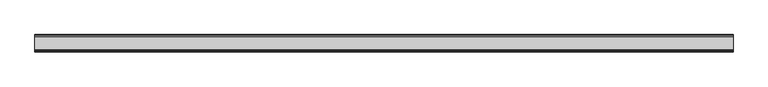
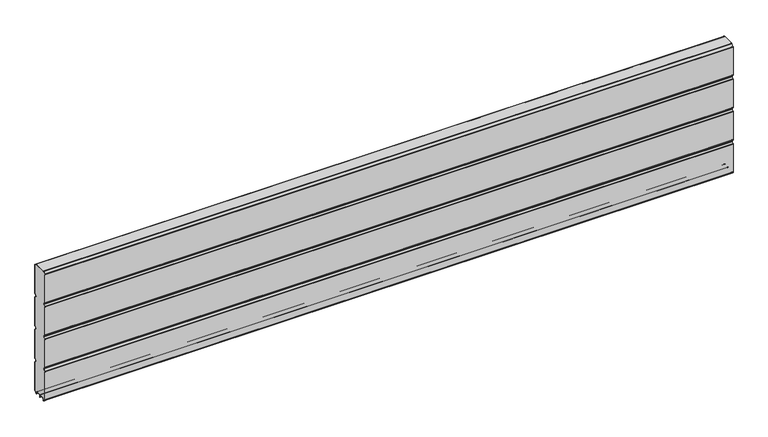
"""IFC4 building model written with IfcOpenShell, lengths in millimetres: plate geometry."""

from ifc_helpers import new_model, si_unit, point, frame, frame_2d, origin, place, context, project, spatial, polyline, circle_curve, trimmed, segment, composite_curve, outline, extrude, source, transform, mapped, element, save


def plate_765de1df(model_context):
    return source(origin(), model_context, "Body", "SweptSolid", [
        extrude(outline(composite_curve([segment(polyline([(-29.2650466, 451.7624879), (-35.7138292, 458.2112702)]), True, "CONTINUOUS"), segment(trimmed(circle_curve(frame_2d((-34.2991913, 459.6259081)), 2.0006001), [point((-35.7138292, 458.2112702))], [point((-36.2997914, 459.6259081))], False, "CARTESIAN"), True, "CONTINUOUS"), segment(polyline([(-36.2997914, 459.6259081), (-36.2997914, 588.874925)]), True, "CONTINUOUS"), segment(trimmed(circle_curve(frame_2d((-34.3025404, 588.8763112)), 1.9972515), [point((-36.2997914, 588.874925))], [point((-35.7145328, 590.2888589))], False, "CARTESIAN"), True, "CONTINUOUS"), segment(polyline([(-35.7145328, 590.2888589), (-27.7860861, 598.2141893)]), True, "CONTINUOUS"), segment(trimmed(circle_curve(frame_2d((-26.3717262, 596.7992733)), 2.0006002), [point((-27.7860861, 598.2141893))], [point((-26.3717262, 598.7998734))], False, "CARTESIAN"), True, "CONTINUOUS"), segment(polyline([(-26.3717262, 598.7998734), (26.3717262, 598.7998734)]), True, "CONTINUOUS"), segment(trimmed(circle_curve(frame_2d((26.3717262, 596.7992733)), 2.0006002), [point((26.3717262, 598.7998734))], [point((27.7860861, 598.2141893))], False, "CARTESIAN"), True, "CONTINUOUS"), segment(polyline([(27.7860861, 598.2141893), (35.7145328, 590.2888589)]), True, "CONTINUOUS"), segment(trimmed(circle_curve(frame_2d((34.3025404, 588.8763112)), 1.9972515), [point((35.7145328, 590.2888589))], [point((36.2997914, 588.874925))], False, "CARTESIAN"), True, "CONTINUOUS"), segment(polyline([(36.2997914, 588.874925), (36.2997914, 459.6259081)]), True, "CONTINUOUS"), segment(trimmed(circle_curve(frame_2d((34.2991913, 459.6259081)), 2.0006001), [point((36.2997914, 459.6259081))], [point((35.7138292, 458.2112702))], False, "CARTESIAN"), True, "CONTINUOUS"), segment(polyline([(35.7138292, 458.2112702), (29.2650466, 451.7624879)]), True, "CONTINUOUS"), segment(trimmed(circle_curve(frame_2d((31.5325895, 449.4949449)), 3.20679), [point((29.2650466, 451.7624879))], [point((29.114664, 447.3884934))], True, "CARTESIAN"), True, "CONTINUOUS"), segment(polyline([(29.114664, 447.3884934), (35.7138291, 440.7893285)]), True, "CONTINUOUS"), segment(trimmed(circle_curve(frame_2d((34.2991912, 439.3746906)), 2.0006001), [point((35.7138291, 440.7893285))], [point((36.2997913, 439.3746906))], False, "CARTESIAN"), True, "CONTINUOUS"), segment(polyline([(36.2997913, 439.3746906), (36.2997913, 309.6259081)]), True, "CONTINUOUS"), segment(trimmed(circle_curve(frame_2d((34.2991912, 309.6259081)), 2.0006001), [point((36.2997913, 309.6259081))], [point((35.7138291, 308.2112702))], False, "CARTESIAN"), True, "CONTINUOUS"), segment(polyline([(35.7138291, 308.2112702), (29.2650466, 301.7624879)]), True, "CONTINUOUS"), segment(trimmed(circle_curve(frame_2d((31.5325895, 299.4949449)), 3.20679), [point((29.2650466, 301.7624879))], [point((29.4261379, 297.0770195))], True, "CARTESIAN"), True, "CONTINUOUS"), segment(polyline([(29.4261379, 297.0770195), (35.7138291, 290.7893285)]), True, "CONTINUOUS"), segment(trimmed(circle_curve(frame_2d((34.2991912, 289.3746906)), 2.0006001), [point((35.7138291, 290.7893285))], [point((36.2997913, 289.3746906))], False, "CARTESIAN"), True, "CONTINUOUS"), segment(polyline([(36.2997913, 289.3746906), (36.2997913, 159.6246474)]), True, "CONTINUOUS"), segment(trimmed(circle_curve(frame_2d((34.2991912, 159.6246474)), 2.0006001), [point((36.2997913, 159.6246474))], [point((35.7138291, 158.2100095))], False, "CARTESIAN"), True, "CONTINUOUS"), segment(polyline([(35.7138291, 158.2100095), (29.2650466, 151.7612271)]), True, "CONTINUOUS"), segment(trimmed(circle_curve(frame_2d((31.5325895, 149.4936842)), 3.20679), [point((29.2650466, 151.7612271))], [point((29.114664, 147.3872326))], True, "CARTESIAN"), True, "CONTINUOUS"), segment(polyline([(29.114664, 147.3872326), (35.7138292, 140.7880678)]), True, "CONTINUOUS"), segment(trimmed(circle_curve(frame_2d((34.2991912, 139.3734299)), 2.0006001), [point((35.7138292, 140.7880678))], [point((36.2997914, 139.3734299))], False, "CARTESIAN"), True, "CONTINUOUS"), segment(polyline([(36.2997914, 139.3734299), (36.2997914, 10.1250796)]), True, "CONTINUOUS"), segment(trimmed(circle_curve(frame_2d((34.299192, 10.1250796)), 2.0005994), [point((36.2997914, 10.1250796))], [point((35.7138294, 8.7104422))], False, "CARTESIAN"), True, "CONTINUOUS"), segment(polyline([(35.7138294, 8.7104422), (28.7893255, 1.7859383)]), True, "CONTINUOUS"), segment(trimmed(circle_curve(frame_2d((27.3158157, 3.2594482)), 2.0838576), [point((28.7893255, 1.7859383))], [point((25.2327947, 3.2004014))], False, "CARTESIAN"), True, "CONTINUOUS"), segment(polyline([(25.2327947, 3.2004014), (25.2327947, 7.9999453)]), True, "CONTINUOUS"), segment(trimmed(circle_curve(frame_2d((22.0323933, 7.9999453)), 3.2004014), [point((25.2327947, 7.9999453))], [point((22.0323933, 11.2003467))], True, "CARTESIAN"), True, "CONTINUOUS"), segment(polyline([(22.0323933, 11.2003467), (3.1993432, 11.2003467)]), True, "CONTINUOUS"), segment(trimmed(circle_curve(frame_2d((3.1993432, 8.0010035)), 3.1993432), [point((3.1993432, 11.2003467))], [point((0.0, 8.0010035))], True, "CARTESIAN"), True, "CONTINUOUS"), segment(trimmed(circle_curve(frame_2d((-3.1993432, 8.0010035)), 3.1993432), [point((0.0, 8.0010035))], [point((-3.1993432, 11.2003467))], True, "CARTESIAN"), True, "CONTINUOUS"), segment(polyline([(-3.1993432, 11.2003467), (-22.0323933, 11.2003467)]), True, "CONTINUOUS"), segment(trimmed(circle_curve(frame_2d((-22.0323933, 7.9999453)), 3.2004014), [point((-22.0323933, 11.2003467))], [point((-25.2327947, 7.9999453))], True, "CARTESIAN"), True, "CONTINUOUS"), segment(polyline([(-25.2327947, 7.9999453), (-25.2327947, 3.2004014)]), True, "CONTINUOUS"), segment(trimmed(circle_curve(frame_2d((-27.3158157, 3.2594482)), 2.0838576), [point((-25.2327947, 3.2004014))], [point((-28.7893255, 1.7859383))], False, "CARTESIAN"), True, "CONTINUOUS"), segment(polyline([(-28.7893255, 1.7859383), (-35.7138294, 8.7104422)]), True, "CONTINUOUS"), segment(trimmed(circle_curve(frame_2d((-34.299192, 10.1250796)), 2.0005994), [point((-35.7138294, 8.7104422))], [point((-36.2997914, 10.1250796))], False, "CARTESIAN"), True, "CONTINUOUS"), segment(polyline([(-36.2997914, 10.1250796), (-36.2997914, 139.3734299)]), True, "CONTINUOUS"), segment(trimmed(circle_curve(frame_2d((-34.2991912, 139.3734299)), 2.0006001), [point((-36.2997914, 139.3734299))], [point((-35.7138292, 140.7880678))], False, "CARTESIAN"), True, "CONTINUOUS"), segment(polyline([(-35.7138292, 140.7880678), (-29.114664, 147.3872326)]), True, "CONTINUOUS"), segment(trimmed(circle_curve(frame_2d((-31.5325895, 149.4936842)), 3.20679), [point((-29.114664, 147.3872326))], [point((-29.2650466, 151.7612271))], True, "CARTESIAN"), True, "CONTINUOUS"), segment(polyline([(-29.2650466, 151.7612271), (-35.7138291, 158.2100095)]), True, "CONTINUOUS"), segment(trimmed(circle_curve(frame_2d((-34.2991912, 159.6246474)), 2.0006001), [point((-35.7138291, 158.2100095))], [point((-36.2997913, 159.6246474))], False, "CARTESIAN"), True, "CONTINUOUS"), segment(polyline([(-36.2997913, 159.6246474), (-36.2997913, 289.3746906)]), True, "CONTINUOUS"), segment(trimmed(circle_curve(frame_2d((-34.2991912, 289.3746906)), 2.0006001), [point((-36.2997913, 289.3746906))], [point((-35.7138291, 290.7893285))], False, "CARTESIAN"), True, "CONTINUOUS"), segment(polyline([(-35.7138291, 290.7893285), (-29.4261379, 297.0770195)]), True, "CONTINUOUS"), segment(trimmed(circle_curve(frame_2d((-31.5325895, 299.4949449)), 3.20679), [point((-29.4261379, 297.0770195))], [point((-29.2650466, 301.7624879))], True, "CARTESIAN"), True, "CONTINUOUS"), segment(polyline([(-29.2650466, 301.7624879), (-35.7138291, 308.2112702)]), True, "CONTINUOUS"), segment(trimmed(circle_curve(frame_2d((-34.2991912, 309.6259081)), 2.0006001), [point((-35.7138291, 308.2112702))], [point((-36.2997913, 309.6259081))], False, "CARTESIAN"), True, "CONTINUOUS"), segment(polyline([(-36.2997913, 309.6259081), (-36.2997913, 439.3746906)]), True, "CONTINUOUS"), segment(trimmed(circle_curve(frame_2d((-34.2991912, 439.3746906)), 2.0006001), [point((-36.2997913, 439.3746906))], [point((-35.7138291, 440.7893285))], False, "CARTESIAN"), True, "CONTINUOUS"), segment(polyline([(-35.7138291, 440.7893285), (-29.114664, 447.3884934)]), True, "CONTINUOUS"), segment(trimmed(circle_curve(frame_2d((-31.5325895, 449.4949449)), 3.20679), [point((-29.114664, 447.3884934))], [point((-29.2650466, 451.7624879))], True, "CARTESIAN"), True, "CONTINUOUS")], self_intersect=False)), frame((-1505.0558, 0.0, 0.0), z_axis=(1.0, 0.0, 0.0), x_axis=(0.0, 1.0, 0.0)), (0.0, 0.0, 1.0), 3010.1116),
        extrude(outline(composite_curve([segment(trimmed(circle_curve(frame_2d((-34.299418, 588.8742584)), 3.200524), [point((-37.499942, 588.8742584))], [point((-36.5622582, 591.1376426))], False, "CARTESIAN"), True, "CONTINUOUS"), segment(polyline([(-36.5622582, 591.1376426), (-28.6355395, 599.0624563)]), True, "CONTINUOUS"), segment(trimmed(circle_curve(frame_2d((-26.3720296, 596.7984023)), 3.2014711), [point((-28.6355395, 599.0624563))], [point((-26.3720296, 599.9998734))], False, "CARTESIAN"), True, "CONTINUOUS"), segment(polyline([(-26.3720296, 599.9998734), (26.3720296, 599.9998734)]), True, "CONTINUOUS"), segment(trimmed(circle_curve(frame_2d((26.3720296, 596.7984023)), 3.2014711), [point((26.3720296, 599.9998734))], [point((28.6355395, 599.0624563))], False, "CARTESIAN"), True, "CONTINUOUS"), segment(polyline([(28.6355395, 599.0624563), (36.5622582, 591.1376426)]), True, "CONTINUOUS"), segment(trimmed(circle_curve(frame_2d((34.299418, 588.8742584)), 3.200524), [point((36.5622582, 591.1376426))], [point((37.499942, 588.8742584))], False, "CARTESIAN"), True, "CONTINUOUS"), segment(polyline([(37.499942, 588.8742584), (37.499942, 459.6259081)]), True, "CONTINUOUS"), segment(trimmed(circle_curve(frame_2d((34.3010265, 459.6259081)), 3.1989155), [point((37.499942, 459.6259081))], [point((36.5630013, 457.3639333))], False, "CARTESIAN"), True, "CONTINUOUS"), segment(polyline([(36.5630013, 457.3639333), (30.1138303, 450.9147625)]), True, "CONTINUOUS"), segment(trimmed(circle_curve(frame_2d((31.5282934, 449.5002993)), 2.000353), [point((30.1138303, 450.9147625))], [point((30.1138303, 448.0858362))], True, "CARTESIAN"), True, "CONTINUOUS"), segment(polyline([(30.1138303, 448.0858362), (36.5630013, 441.6366654)]), True, "CONTINUOUS"), segment(trimmed(circle_curve(frame_2d((34.3010265, 439.3746906)), 3.1989154), [point((36.5630013, 441.6366654))], [point((37.4999419, 439.3746906))], False, "CARTESIAN"), True, "CONTINUOUS"), segment(polyline([(37.4999419, 439.3746906), (37.4999419, 309.6259081)]), True, "CONTINUOUS"), segment(trimmed(circle_curve(frame_2d((34.3010265, 309.6259081)), 3.1989154), [point((37.4999419, 309.6259081))], [point((36.5630013, 307.3639333))], False, "CARTESIAN"), True, "CONTINUOUS"), segment(polyline([(36.5630013, 307.3639333), (30.1138303, 300.9147625)]), True, "CONTINUOUS"), segment(trimmed(circle_curve(frame_2d((31.5282934, 299.5002993)), 2.000353), [point((30.1138303, 300.9147625))], [point((30.1138303, 298.0858362))], True, "CARTESIAN"), True, "CONTINUOUS"), segment(polyline([(30.1138303, 298.0858362), (36.5630013, 291.6366654)]), True, "CONTINUOUS"), segment(trimmed(circle_curve(frame_2d((34.3010265, 289.3746906)), 3.1989154), [point((36.5630013, 291.6366654))], [point((37.4999419, 289.3746906))], False, "CARTESIAN"), True, "CONTINUOUS"), segment(polyline([(37.4999419, 289.3746906), (37.4999419, 159.6246474)]), True, "CONTINUOUS"), segment(trimmed(circle_curve(frame_2d((34.3010265, 159.6246474)), 3.1989154), [point((37.4999419, 159.6246474))], [point((36.5630013, 157.3626726))], False, "CARTESIAN"), True, "CONTINUOUS"), segment(polyline([(36.5630013, 157.3626726), (30.1138303, 150.9135018)]), True, "CONTINUOUS"), segment(trimmed(circle_curve(frame_2d((31.5282934, 149.4990386)), 2.000353), [point((30.1138303, 150.9135018))], [point((30.1138303, 148.0845755))], True, "CARTESIAN"), True, "CONTINUOUS"), segment(polyline([(30.1138303, 148.0845755), (36.5630013, 141.6354046)]), True, "CONTINUOUS"), segment(trimmed(circle_curve(frame_2d((34.3010265, 139.3734298)), 3.1989154), [point((36.5630013, 141.6354046))], [point((37.4999419, 139.3734298))], False, "CARTESIAN"), True, "CONTINUOUS"), segment(polyline([(37.4999419, 139.3734298), (37.4999419, 10.1250796)]), True, "CONTINUOUS"), segment(trimmed(circle_curve(frame_2d((34.3010265, 10.1250796)), 3.1989154), [point((37.4999419, 10.1250796))], [point((36.5630004, 7.8631039))], False, "CARTESIAN"), True, "CONTINUOUS"), segment(polyline([(36.5630004, 7.8631039), (29.6332576, 0.9333666)]), True, "CONTINUOUS"), segment(trimmed(circle_curve(frame_2d((27.311397, 3.255229)), 3.283608), [point((29.6332576, 0.9333666))], [point((24.0283217, 3.1960843))], False, "CARTESIAN"), True, "CONTINUOUS"), segment(polyline([(24.0283217, 3.1960843), (24.0326442, 7.9999453)]), True, "CONTINUOUS"), segment(trimmed(circle_curve(frame_2d((22.0341915, 8.0017435)), 1.9984535), [point((24.0326442, 7.9999453))], [point((22.0323933, 10.0001962))], True, "CARTESIAN"), True, "CONTINUOUS"), segment(polyline([(22.0323933, 10.0001962), (3.1993432, 10.0001962)]), True, "CONTINUOUS"), segment(trimmed(circle_curve(frame_2d((3.1993432, 8.0010035)), 1.9991927), [point((3.1993432, 10.0001962))], [point((1.2001505, 8.0010035))], True, "CARTESIAN"), True, "CONTINUOUS"), segment(polyline([(1.2001505, 8.0010035), (1.2001504, 0.0), (0.0, 0.0), (-1.2001504, 0.0), (-1.2001504, 8.0010034)]), True, "CONTINUOUS"), segment(trimmed(circle_curve(frame_2d((-3.1993432, 8.0010035)), 1.9991928), [point((-1.2001504, 8.0010034))], [point((-3.1993432, 10.0001963))], True, "CARTESIAN"), True, "CONTINUOUS"), segment(polyline([(-3.1993432, 10.0001963), (-22.0323933, 10.0001962)]), True, "CONTINUOUS"), segment(trimmed(circle_curve(frame_2d((-22.0341915, 8.0017435)), 1.9984535), [point((-22.0323933, 10.0001962))], [point((-24.0326442, 7.9999453))], True, "CARTESIAN"), True, "CONTINUOUS"), segment(polyline([(-24.0326442, 7.9999453), (-24.0283217, 3.1960843)]), True, "CONTINUOUS"), segment(trimmed(circle_curve(frame_2d((-27.311397, 3.255229)), 3.283608), [point((-24.0283217, 3.1960843))], [point((-29.6332576, 0.9333666))], False, "CARTESIAN"), True, "CONTINUOUS"), segment(polyline([(-29.6332576, 0.9333666), (-36.5630004, 7.8631039)]), True, "CONTINUOUS"), segment(trimmed(circle_curve(frame_2d((-34.3010265, 10.1250796)), 3.1989154), [point((-36.5630004, 7.8631039))], [point((-37.4999419, 10.1250796))], False, "CARTESIAN"), True, "CONTINUOUS"), segment(polyline([(-37.4999419, 10.1250796), (-37.4999419, 139.3734298)]), True, "CONTINUOUS"), segment(trimmed(circle_curve(frame_2d((-34.3010265, 139.3734298)), 3.1989154), [point((-37.4999419, 139.3734298))], [point((-36.5630013, 141.6354046))], False, "CARTESIAN"), True, "CONTINUOUS"), segment(polyline([(-36.5630013, 141.6354046), (-30.1138303, 148.0845755)]), True, "CONTINUOUS"), segment(trimmed(circle_curve(frame_2d((-31.5282934, 149.4990386)), 2.000353), [point((-30.1138303, 148.0845755))], [point((-30.1138303, 150.9135018))], True, "CARTESIAN"), True, "CONTINUOUS"), segment(polyline([(-30.1138303, 150.9135018), (-36.5630013, 157.3626726)]), True, "CONTINUOUS"), segment(trimmed(circle_curve(frame_2d((-34.3010265, 159.6246474)), 3.1989154), [point((-36.5630013, 157.3626726))], [point((-37.4999419, 159.6246474))], False, "CARTESIAN"), True, "CONTINUOUS"), segment(polyline([(-37.4999419, 159.6246474), (-37.4999419, 289.3746906)]), True, "CONTINUOUS"), segment(trimmed(circle_curve(frame_2d((-34.3010265, 289.3746906)), 3.1989154), [point((-37.4999419, 289.3746906))], [point((-36.5630013, 291.6366653))], False, "CARTESIAN"), True, "CONTINUOUS"), segment(polyline([(-36.5630013, 291.6366653), (-30.1138303, 298.0858362)]), True, "CONTINUOUS"), segment(trimmed(circle_curve(frame_2d((-31.5282934, 299.5002993)), 2.000353), [point((-30.1138303, 298.0858362))], [point((-30.1138303, 300.9147625))], True, "CARTESIAN"), True, "CONTINUOUS"), segment(polyline([(-30.1138303, 300.9147625), (-36.5630013, 307.3639333)]), True, "CONTINUOUS"), segment(trimmed(circle_curve(frame_2d((-34.3010265, 309.6259081)), 3.1989154), [point((-36.5630013, 307.3639333))], [point((-37.4999419, 309.6259081))], False, "CARTESIAN"), True, "CONTINUOUS"), segment(polyline([(-37.4999419, 309.6259081), (-37.4999419, 439.3746906)]), True, "CONTINUOUS"), segment(trimmed(circle_curve(frame_2d((-34.3010265, 439.3746906)), 3.1989154), [point((-37.4999419, 439.3746906))], [point((-36.5630013, 441.6366653))], False, "CARTESIAN"), True, "CONTINUOUS"), segment(polyline([(-36.5630013, 441.6366653), (-30.1138303, 448.0858362)]), True, "CONTINUOUS"), segment(trimmed(circle_curve(frame_2d((-31.5282934, 449.5002993)), 2.000353), [point((-30.1138303, 448.0858362))], [point((-30.1138303, 450.9147625))], True, "CARTESIAN"), True, "CONTINUOUS"), segment(polyline([(-30.1138303, 450.9147625), (-36.5630013, 457.3639333)]), True, "CONTINUOUS"), segment(trimmed(circle_curve(frame_2d((-34.3010265, 459.6259081)), 3.1989155), [point((-36.5630013, 457.3639333))], [point((-37.499942, 459.6259081))], False, "CARTESIAN"), True, "CONTINUOUS"), segment(polyline([(-37.499942, 459.6259081), (-37.499942, 588.8742584)]), True, "CONTINUOUS")], self_intersect=False), holes=[composite_curve([segment(trimmed(circle_curve(frame_2d((-31.5325895, 449.4949449)), 3.20679), [point((-29.2650466, 451.7624879))], [point((-29.114664, 447.3884934))], False, "CARTESIAN"), True, "CONTINUOUS"), segment(polyline([(-29.114664, 447.3884934), (-35.7138291, 440.7893285)]), True, "CONTINUOUS"), segment(trimmed(circle_curve(frame_2d((-34.2991912, 439.3746906)), 2.0006001), [point((-35.7138291, 440.7893285))], [point((-36.2997913, 439.3746906))], True, "CARTESIAN"), True, "CONTINUOUS"), segment(polyline([(-36.2997913, 439.3746906), (-36.2997913, 309.6259081)]), True, "CONTINUOUS"), segment(trimmed(circle_curve(frame_2d((-34.2991912, 309.6259081)), 2.0006001), [point((-36.2997913, 309.6259081))], [point((-35.7138291, 308.2112702))], True, "CARTESIAN"), True, "CONTINUOUS"), segment(polyline([(-35.7138291, 308.2112702), (-29.2650466, 301.7624879)]), True, "CONTINUOUS"), segment(trimmed(circle_curve(frame_2d((-31.5325895, 299.4949449)), 3.20679), [point((-29.2650466, 301.7624879))], [point((-29.4261379, 297.0770195))], False, "CARTESIAN"), True, "CONTINUOUS"), segment(polyline([(-29.4261379, 297.0770195), (-35.7138291, 290.7893285)]), True, "CONTINUOUS"), segment(trimmed(circle_curve(frame_2d((-34.2991912, 289.3746906)), 2.0006001), [point((-35.7138291, 290.7893285))], [point((-36.2997913, 289.3746906))], True, "CARTESIAN"), True, "CONTINUOUS"), segment(polyline([(-36.2997913, 289.3746906), (-36.2997913, 159.6246474)]), True, "CONTINUOUS"), segment(trimmed(circle_curve(frame_2d((-34.2991912, 159.6246474)), 2.0006001), [point((-36.2997913, 159.6246474))], [point((-35.7138291, 158.2100095))], True, "CARTESIAN"), True, "CONTINUOUS"), segment(polyline([(-35.7138291, 158.2100095), (-29.2650466, 151.7612271)]), True, "CONTINUOUS"), segment(trimmed(circle_curve(frame_2d((-31.5325895, 149.4936842)), 3.20679), [point((-29.2650466, 151.7612271))], [point((-29.114664, 147.3872326))], False, "CARTESIAN"), True, "CONTINUOUS"), segment(polyline([(-29.114664, 147.3872326), (-35.7138292, 140.7880677)]), True, "CONTINUOUS"), segment(trimmed(circle_curve(frame_2d((-34.2991912, 139.3734298)), 2.0006001), [point((-35.7138292, 140.7880677))], [point((-36.2997914, 139.3734298))], True, "CARTESIAN"), True, "CONTINUOUS"), segment(polyline([(-36.2997914, 139.3734298), (-36.2997914, 10.1250796)]), True, "CONTINUOUS"), segment(trimmed(circle_curve(frame_2d((-34.299192, 10.1250796)), 2.0005994), [point((-36.2997914, 10.1250796))], [point((-35.7138294, 8.7104422))], True, "CARTESIAN"), True, "CONTINUOUS"), segment(polyline([(-35.7138294, 8.7104422), (-28.7893255, 1.7859383)]), True, "CONTINUOUS"), segment(trimmed(circle_curve(frame_2d((-27.3158157, 3.2594482)), 2.0838576), [point((-28.7893255, 1.7859383))], [point((-25.2327947, 3.2004014))], True, "CARTESIAN"), True, "CONTINUOUS"), segment(polyline([(-25.2327947, 3.2004014), (-25.2327947, 7.9999453)]), True, "CONTINUOUS"), segment(trimmed(circle_curve(frame_2d((-22.0323933, 7.9999453)), 3.2004014), [point((-25.2327947, 7.9999453))], [point((-22.0323933, 11.2003467))], False, "CARTESIAN"), True, "CONTINUOUS"), segment(polyline([(-22.0323933, 11.2003467), (-3.1993432, 11.2003467)]), True, "CONTINUOUS"), segment(trimmed(circle_curve(frame_2d((-3.1993432, 8.0010035)), 3.1993432), [point((-3.1993432, 11.2003467))], [point((0.0, 8.0010035))], False, "CARTESIAN"), True, "CONTINUOUS"), segment(trimmed(circle_curve(frame_2d((3.1993432, 8.0010035)), 3.1993432), [point((0.0, 8.0010035))], [point((3.1993432, 11.2003467))], False, "CARTESIAN"), True, "CONTINUOUS"), segment(polyline([(3.1993432, 11.2003467), (22.0323933, 11.2003467)]), True, "CONTINUOUS"), segment(trimmed(circle_curve(frame_2d((22.0323933, 7.9999453)), 3.2004014), [point((22.0323933, 11.2003467))], [point((25.2327947, 7.9999453))], False, "CARTESIAN"), True, "CONTINUOUS"), segment(polyline([(25.2327947, 7.9999453), (25.2327947, 3.2004014)]), True, "CONTINUOUS"), segment(trimmed(circle_curve(frame_2d((27.3158157, 3.2594482)), 2.0838576), [point((25.2327947, 3.2004014))], [point((28.7893255, 1.7859383))], True, "CARTESIAN"), True, "CONTINUOUS"), segment(polyline([(28.7893255, 1.7859383), (35.7138294, 8.7104422)]), True, "CONTINUOUS"), segment(trimmed(circle_curve(frame_2d((34.299192, 10.1250796)), 2.0005994), [point((35.7138294, 8.7104422))], [point((36.2997914, 10.1250796))], True, "CARTESIAN"), True, "CONTINUOUS"), segment(polyline([(36.2997914, 10.1250796), (36.2997914, 139.3734298)]), True, "CONTINUOUS"), segment(trimmed(circle_curve(frame_2d((34.2991912, 139.3734298)), 2.0006001), [point((36.2997914, 139.3734298))], [point((35.7138292, 140.7880678))], True, "CARTESIAN"), True, "CONTINUOUS"), segment(polyline([(35.7138292, 140.7880678), (29.114664, 147.3872326)]), True, "CONTINUOUS"), segment(trimmed(circle_curve(frame_2d((31.5325895, 149.4936842)), 3.20679), [point((29.114664, 147.3872326))], [point((29.2650466, 151.7612271))], False, "CARTESIAN"), True, "CONTINUOUS"), segment(polyline([(29.2650466, 151.7612271), (35.7138291, 158.2100095)]), True, "CONTINUOUS"), segment(trimmed(circle_curve(frame_2d((34.2991912, 159.6246474)), 2.0006001), [point((35.7138291, 158.2100095))], [point((36.2997913, 159.6246474))], True, "CARTESIAN"), True, "CONTINUOUS"), segment(polyline([(36.2997913, 159.6246474), (36.2997913, 289.3746906)]), True, "CONTINUOUS"), segment(trimmed(circle_curve(frame_2d((34.2991912, 289.3746906)), 2.0006001), [point((36.2997913, 289.3746906))], [point((35.7138291, 290.7893285))], True, "CARTESIAN"), True, "CONTINUOUS"), segment(polyline([(35.7138291, 290.7893285), (29.4261379, 297.0770195)]), True, "CONTINUOUS"), segment(trimmed(circle_curve(frame_2d((31.5325895, 299.4949449)), 3.20679), [point((29.4261379, 297.0770195))], [point((29.2650466, 301.7624879))], False, "CARTESIAN"), True, "CONTINUOUS"), segment(polyline([(29.2650466, 301.7624879), (35.7138291, 308.2112702)]), True, "CONTINUOUS"), segment(trimmed(circle_curve(frame_2d((34.2991912, 309.6259081)), 2.0006001), [point((35.7138291, 308.2112702))], [point((36.2997913, 309.6259081))], True, "CARTESIAN"), True, "CONTINUOUS"), segment(polyline([(36.2997913, 309.6259081), (36.2997913, 439.3746906)]), True, "CONTINUOUS"), segment(trimmed(circle_curve(frame_2d((34.2991912, 439.3746906)), 2.0006001), [point((36.2997913, 439.3746906))], [point((35.7138291, 440.7893285))], True, "CARTESIAN"), True, "CONTINUOUS"), segment(polyline([(35.7138291, 440.7893285), (29.114664, 447.3884934)]), True, "CONTINUOUS"), segment(trimmed(circle_curve(frame_2d((31.5325895, 449.4949449)), 3.20679), [point((29.114664, 447.3884934))], [point((29.2650466, 451.7624879))], False, "CARTESIAN"), True, "CONTINUOUS"), segment(polyline([(29.2650466, 451.7624879), (35.7138292, 458.2112702)]), True, "CONTINUOUS"), segment(trimmed(circle_curve(frame_2d((34.2991913, 459.6259081)), 2.0006001), [point((35.7138292, 458.2112702))], [point((36.2997914, 459.6259081))], True, "CARTESIAN"), True, "CONTINUOUS"), segment(polyline([(36.2997914, 459.6259081), (36.2997914, 588.874925)]), True, "CONTINUOUS"), segment(trimmed(circle_curve(frame_2d((34.3025404, 588.8763112)), 1.9972515), [point((36.2997914, 588.874925))], [point((35.7145328, 590.2888589))], True, "CARTESIAN"), True, "CONTINUOUS"), segment(polyline([(35.7145328, 590.2888589), (27.7860861, 598.2141893)]), True, "CONTINUOUS"), segment(trimmed(circle_curve(frame_2d((26.3717262, 596.7992733)), 2.0006002), [point((27.7860861, 598.2141893))], [point((26.3717262, 598.7998734))], True, "CARTESIAN"), True, "CONTINUOUS"), segment(polyline([(26.3717262, 598.7998734), (-26.3717262, 598.7998734)]), True, "CONTINUOUS"), segment(trimmed(circle_curve(frame_2d((-26.3717262, 596.7992733)), 2.0006002), [point((-26.3717262, 598.7998734))], [point((-27.7860861, 598.2141893))], True, "CARTESIAN"), True, "CONTINUOUS"), segment(polyline([(-27.7860861, 598.2141893), (-35.7145328, 590.2888589)]), True, "CONTINUOUS"), segment(trimmed(circle_curve(frame_2d((-34.3025404, 588.8763112)), 1.9972515), [point((-35.7145328, 590.2888589))], [point((-36.2997914, 588.874925))], True, "CARTESIAN"), True, "CONTINUOUS"), segment(polyline([(-36.2997914, 588.874925), (-36.2997914, 459.6259081)]), True, "CONTINUOUS"), segment(trimmed(circle_curve(frame_2d((-34.2991913, 459.6259081)), 2.0006001), [point((-36.2997914, 459.6259081))], [point((-35.7138292, 458.2112702))], True, "CARTESIAN"), True, "CONTINUOUS"), segment(polyline([(-35.7138292, 458.2112702), (-29.2650466, 451.7624879)]), True, "CONTINUOUS")], self_intersect=False)]), frame((-1505.0558, 0.0, 0.0), z_axis=(1.0, 0.0, 0.0), x_axis=(0.0, 1.0, 0.0)), (0.0, 0.0, 1.0), 3010.1116),
    ])


if __name__ == "__main__":
    model = new_model("IFC4")
    model_context = context("Model", 3, world=origin())
    ifc_project = project(units=[si_unit("LENGTHUNIT", "METRE", prefix="MILLI")], contexts=[model_context])
    site = spatial("IfcSite", under=ifc_project)
    building = spatial("IfcBuilding", under=site)
    placement = place(None, origin())
    plate_shape = plate_765de1df(model_context)
    element("IfcPlate", 1, at=placement, inside=building, context=model_context, shape_type="MappedRepresentation", body=[
        mapped(plate_shape, transform((0.0, 0.0, 0.0), x_axis=(1.0, 0.0, 0.0), y_axis=(0.0, 1.0, 0.0), z_axis=(0.0, 0.0, 1.0))),
    ])
    save(model, "model.ifc")
